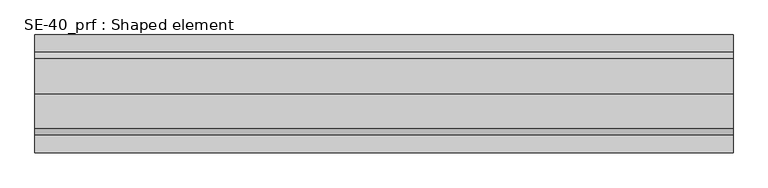
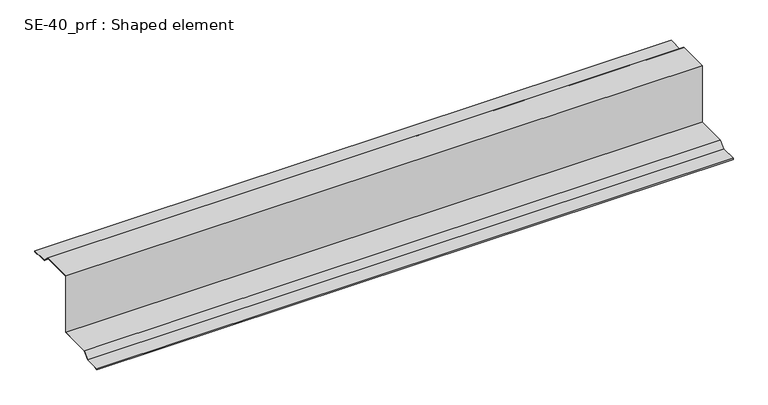
"""IFC4 building model written with IfcOpenShell, lengths in millimetres: proxy geometry, SE-40_prf : Shaped element."""

from ifc_helpers import new_model, si_unit, origin, place, context, project, spatial, faceted_brep, source, transform, mapped, element, save


def se_40_prf_shaped_element_4b381016(model_context):
    return source(origin(), model_context, "Body", "Brep", [
        faceted_brep([(0.0, 0.0, 168.8492424), (0.0, 0.0, 169.8492424), (0.0, 76.0, 169.8492424), (0.0, 90.8492424, 155.0), (0.0, 130.8492424, 155.0), (0.0, 130.8492424, 152.0), (0.0, 120.8492424, 152.0), (0.0, 120.8492424, 153.0), (0.0, 129.8492424, 153.0), (0.0, 129.8492424, 154.0), (0.0, 90.4350288, 154.0), (0.0, 75.5857864, 168.8492424), (0.0, -3.0, 168.8492424), (0.0, -3.0, 18.8492424), (0.0, -83.5857864, 18.8492424), (0.0, -98.4350288, 4.0), (0.0, -137.8492424, 4.0), (0.0, -137.8492424, 3.0), (0.0, -128.8492424, 3.0), (0.0, -128.8492424, 2.0), (0.0, -138.8492424, 2.0), (0.0, -138.8492424, 5.0), (0.0, -98.8492424, 5.0), (0.0, -84.0, 19.8492424), (0.0, -4.0, 19.8492424), (0.0, -4.0, 169.8492424), (1600.0, 0.0, 169.8492424), (1600.0, 0.0, 168.8492424), (1600.0, 75.5857864, 168.8492424), (1600.0, 90.4350288, 154.0), (1600.0, 129.8492424, 154.0), (1600.0, 129.8492424, 153.0), (1600.0, 120.8492424, 153.0), (1600.0, 120.8492424, 152.0), (1600.0, 130.8492424, 152.0), (1600.0, 130.8492424, 155.0), (1600.0, 90.8492424, 155.0), (1600.0, 76.0, 169.8492424), (1600.0, -4.0, 169.8492424), (1600.0, -4.0, 19.8492424), (1600.0, -84.0, 19.8492424), (1600.0, -98.8492424, 5.0), (1600.0, -138.8492424, 5.0), (1600.0, -138.8492424, 2.0), (1600.0, -128.8492424, 2.0), (1600.0, -128.8492424, 3.0), (1600.0, -137.8492424, 3.0), (1600.0, -137.8492424, 4.0), (1600.0, -98.4350288, 4.0), (1600.0, -83.5857864, 18.8492424), (1600.0, -3.0, 18.8492424), (1600.0, -3.0, 168.8492424)], [[[0, 1, 2, 3, 4, 5, 6, 7, 8, 9, 10, 11]], [[1, 0, 12, 13, 14, 15, 16, 17, 18, 19, 20, 21, 22, 23, 24, 25]], [[26, 27, 28, 29, 30, 31, 32, 33, 34, 35, 36, 37]], [[27, 26, 38, 39, 40, 41, 42, 43, 44, 45, 46, 47, 48, 49, 50, 51]], [[21, 20, 43, 42]], [[22, 21, 42, 41]], [[23, 22, 41, 40]], [[24, 23, 40, 39]], [[25, 24, 39, 38]], [[2, 1, 25, 38, 26, 37]], [[3, 2, 37, 36]], [[4, 3, 36, 35]], [[5, 4, 35, 34]], [[6, 5, 34, 33]], [[7, 6, 33, 32]], [[8, 7, 32, 31]], [[9, 8, 31, 30]], [[10, 9, 30, 29]], [[11, 10, 29, 28]], [[0, 11, 28, 27, 51, 12]], [[13, 12, 51, 50]], [[14, 13, 50, 49]], [[15, 14, 49, 48]], [[16, 15, 48, 47]], [[17, 16, 47, 46]], [[18, 17, 46, 45]], [[19, 18, 45, 44]], [[20, 19, 44, 43]]]),
    ])


if __name__ == "__main__":
    model = new_model("IFC4")
    model_context = context("Model", 3, world=origin())
    ifc_project = project(units=[si_unit("LENGTHUNIT", "METRE", prefix="MILLI")], contexts=[model_context])
    site = spatial("IfcSite", under=ifc_project)
    building = spatial("IfcBuilding", under=site)
    placement = place(None, origin())
    se_40_prf_shaped_element_shape = se_40_prf_shaped_element_4b381016(model_context)
    element("IfcBuildingElementProxy", 1, Name="SE-40_prf : Shaped element", ObjectType="SE-40_prf : Shaped element", at=placement, inside=building, context=model_context, shape_type="MappedRepresentation", body=[
        mapped(se_40_prf_shaped_element_shape, transform((0.0, 0.0, 0.0), x_axis=(1.0, 0.0, 0.0), y_axis=(0.0, 1.0, 0.0), z_axis=(0.0, 0.0, 1.0))),
    ])
    save(model, "model.ifc")
